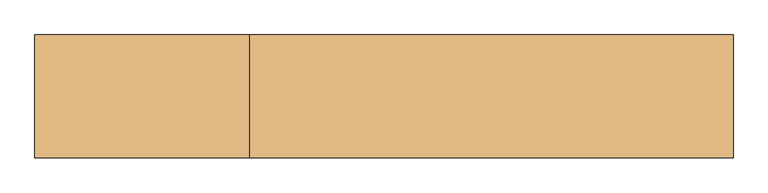
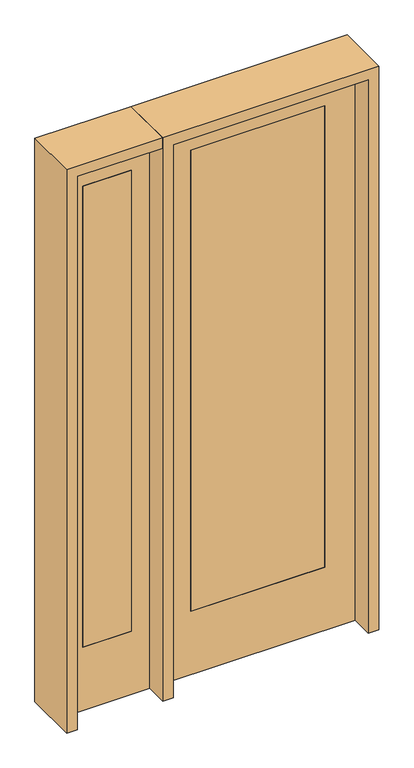
"""IFC4 building model written with IfcOpenShell, lengths in millimetres: door geometry."""

from ifc_helpers import new_model, si_unit, frame, origin, place, context, project, spatial, polyline, outline, extrude, source, transform, mapped, element, save


def door_0d956f97(model_context):
    return source(origin(), model_context, "Body", "SweptSolid", [
        extrude(outline(polyline([(-527.05, -20.6375), (-730.25, -20.6375), (-730.25, 20.6375), (-527.05, 20.6375), (-527.05, -20.6375)])), frame((0.0, 0.0, 279.4), z_axis=(0.0, 0.0, 1.0), x_axis=(1.0, 0.0, 0.0)), (0.0, 0.0, 1.0), 2032.0),
        extrude(outline(polyline([(0.0, -806.45), (0.0, -450.85), (2438.4, -450.85), (2438.4, -806.45), (0.0, -806.45)]), holes=[polyline([(2311.4, -527.05), (279.4, -527.05), (279.4, -730.25), (2311.4, -730.25), (2311.4, -527.05)])]), frame((0.0, -20.6375, 0.0), z_axis=(0.0, 1.0, 0.0), x_axis=(0.0, 0.0, 1.0)), (0.0, 0.0, 1.0), 41.275),
        extrude(outline(polyline([(2438.4, 406.4), (2438.4, -406.4), (0.0, -406.4), (0.0, 406.4), (2438.4, 406.4)]), holes=[polyline([(279.4, 279.4), (279.4, -279.4), (2311.4, -279.4), (2311.4, 279.4), (279.4, 279.4)])]), frame((0.0, -20.6375, 0.0), z_axis=(0.0, 1.0, 0.0), x_axis=(0.0, 0.0, 1.0)), (0.0, 0.0, 1.0), 41.275),
        extrude(outline(polyline([(279.4, -20.6375), (-279.4, -20.6375), (-279.4, 20.6375), (279.4, 20.6375), (279.4, -20.6375)])), frame((0.0, 0.0, 279.4), z_axis=(0.0, 0.0, 1.0), x_axis=(1.0, 0.0, 0.0)), (0.0, 0.0, 1.0), 2032.0),
        extrude(outline(polyline([(2438.4, -450.85), (2482.85, -450.85), (2482.85, -850.9), (0.0, -850.9), (0.0, -806.45), (2438.4, -806.45), (2438.4, -450.85)])), frame((0.0, -114.3, 0.0), z_axis=(0.0, 1.0, 0.0), x_axis=(0.0, 0.0, 1.0)), (0.0, 0.0, 1.0), 228.6),
        extrude(outline(polyline([(2482.85, -450.85), (0.0, -450.85), (0.0, -406.4), (2438.4, -406.4), (2438.4, 406.4), (0.0, 406.4), (0.0, 450.85), (2482.85, 450.85), (2482.85, -450.85)])), frame((0.0, -114.3, 0.0), z_axis=(0.0, 1.0, 0.0), x_axis=(0.0, 0.0, 1.0)), (0.0, 0.0, 1.0), 228.6),
    ])


if __name__ == "__main__":
    model = new_model("IFC4")
    model_context = context("Model", 3, world=origin())
    ifc_project = project(units=[si_unit("LENGTHUNIT", "METRE", prefix="MILLI")], contexts=[model_context])
    site = spatial("IfcSite", under=ifc_project)
    building = spatial("IfcBuilding", under=site)
    placement = place(None, origin())
    door_shape = door_0d956f97(model_context)
    element("IfcDoor", 1, at=placement, inside=building, context=model_context, shape_type="MappedRepresentation", body=[
        mapped(door_shape, transform((0.0, 0.0, 0.0), x_axis=(1.0, 0.0, 0.0), y_axis=(0.0, 1.0, 0.0), z_axis=(0.0, 0.0, 1.0))),
    ])
    save(model, "model.ifc")
